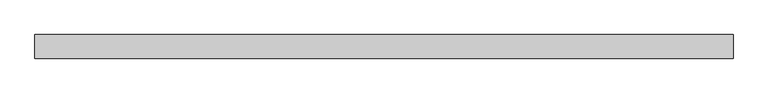
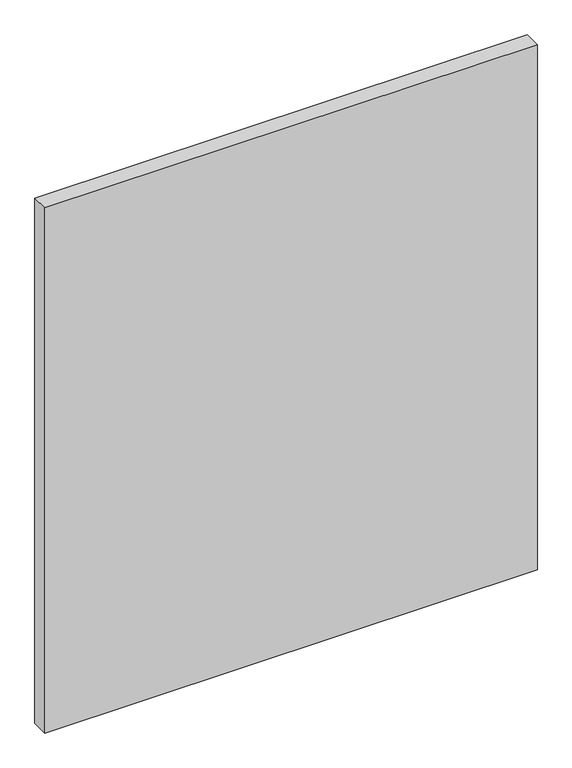
"""IFC4 building model written with IfcOpenShell, lengths in millimetres: plate geometry."""

from ifc_helpers import new_model, si_unit, origin, origin_with_axes, place, context, project, spatial, polyline, outline, extrude, source, transform, mapped, element, save


def plate_4cb1be25(model_context):
    return source(origin(), model_context, "Body", "SweptSolid", [
        extrude(outline(polyline([(507.5625, -17.5), (-507.5625, -17.5), (-507.5625, 17.5), (507.5625, 17.5), (507.5625, -17.5)])), origin_with_axes(), (0.0, 0.0, 1.0), 1143.8125),
    ])


if __name__ == "__main__":
    model = new_model("IFC4")
    model_context = context("Model", 3, world=origin())
    ifc_project = project(units=[si_unit("LENGTHUNIT", "METRE", prefix="MILLI")], contexts=[model_context])
    site = spatial("IfcSite", under=ifc_project)
    building = spatial("IfcBuilding", under=site)
    placement = place(None, origin())
    plate_shape = plate_4cb1be25(model_context)
    element("IfcPlate", 1, at=placement, inside=building, context=model_context, shape_type="MappedRepresentation", body=[
        mapped(plate_shape, transform((0.0, 0.0, 0.0), x_axis=(1.0, 0.0, 0.0), y_axis=(0.0, 1.0, 0.0), z_axis=(0.0, 0.0, 1.0))),
    ])
    save(model, "model.ifc")
